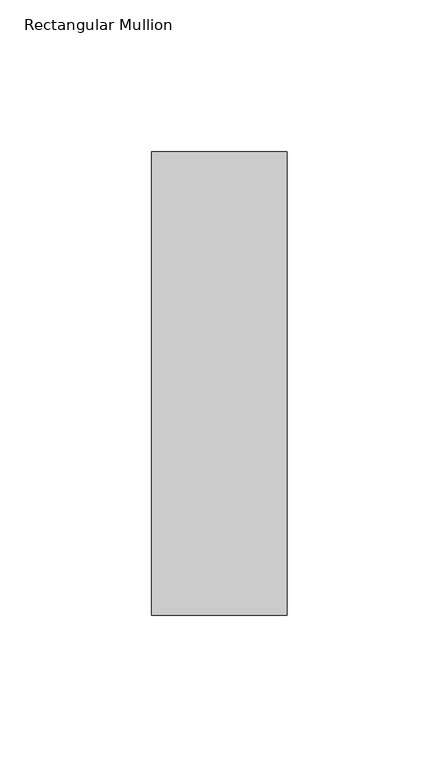
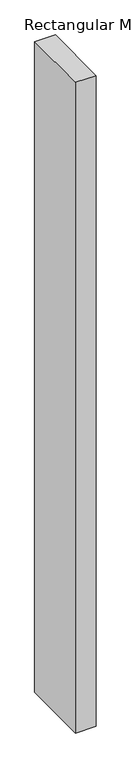
"""IFC4 building model written with IfcOpenShell, lengths in millimetres: member geometry, Rectangular Mullion."""

import ifcopenshell
import ifcopenshell.guid

model = None  # the IFC model being written
_history = None  # IfcOwnerHistory: only IFC2X3 demands one
_inside = {}  # id of a spatial element -> (the spatial element, [elements in it])
_under = {}  # id of a project, library or spatial element -> (it, [spatial elements below it])
_declared = {}  # id of a project -> (the project, [libraries it declares])
_typed = {}  # id of a type object -> (the type object, [elements of that type])
_made_of = {}  # id of a material, layer set ... -> (it, [elements and type objects made of it])


def new_model(schema):
    """Start an empty IFC model of exactly this schema.

    Asked for "IFC4X3", IfcOpenShell would pick the latest addendum, in which some entities
    have other attributes; the version numbers below select the first issue.
    IFC2X3 requires an IfcOwnerHistory on every rooted entity: one is made here for all.
    """
    global model, _history
    if schema == "IFC4X3":
        model = ifcopenshell.file(schema_version=(4, 3, 0, 0))
    else:
        model = ifcopenshell.file(schema=schema)
    _inside.clear()
    _under.clear()
    _declared.clear()
    _typed.clear()
    _made_of.clear()
    _history = None
    if model.schema == "IFC2X3":
        org = make("IfcOrganization", Name="unknown")
        user = make(
            "IfcPersonAndOrganization",
            ThePerson=make("IfcPerson", FamilyName="unknown"),
            TheOrganization=org,
        )
        app = make(
            "IfcApplication",
            ApplicationDeveloper=org,
            Version="unknown",
            ApplicationFullName="unknown",
            ApplicationIdentifier="unknown",
        )
        _history = make(
            "IfcOwnerHistory",
            OwningUser=user,
            OwningApplication=app,
            ChangeAction="ADDED",
            CreationDate=0,
        )
    return model


def make(cls, **values):
    """One entity of the class cls with the attributes given. An attribute that is None is left unset."""
    return model.create_entity(
        cls, **{name: value for name, value in values.items() if value is not None}
    )


def rooted(cls, **values):
    """An entity with a GlobalId (a new one), such as an element, a storey or a relation."""
    return make(cls, GlobalId=ifcopenshell.guid.new(), OwnerHistory=_history, **values)


def si_unit(unit_type, name, prefix=None):
    """IfcSIUnit, for example si_unit("LENGTHUNIT", "METRE", prefix="MILLI")."""
    return make("IfcSIUnit", UnitType=unit_type, Prefix=prefix, Name=name)


def assignment(units):
    """IfcUnitAssignment: the units of a project."""
    return None if units is None else make("IfcUnitAssignment", Units=units)


def point(xyz):
    """IfcCartesianPoint."""
    return None if xyz is None else make("IfcCartesianPoint", Coordinates=xyz)


def direction(xyz):
    """IfcDirection."""
    return None if xyz is None else make("IfcDirection", DirectionRatios=xyz)


def frame(location, z_axis=None, x_axis=None):
    """IfcAxis2Placement3D, a coordinate frame: its origin and axes. An axis left out is left unset."""
    return make(
        "IfcAxis2Placement3D",
        Location=point(location),
        Axis=direction(z_axis),
        RefDirection=direction(x_axis),
    )


def origin():
    """The frame at (0, 0, 0) with its axes left unset."""
    return frame((0.0, 0.0, 0.0))


def place(relative_to, where):
    """IfcLocalPlacement: puts the frame where relative to a parent placement (None: the world)."""
    return make(
        "IfcLocalPlacement", PlacementRelTo=relative_to, RelativePlacement=where
    )


def context(
    kind, dimensions, precision=None, world=None, true_north=None, identifier=None
):
    """IfcGeometricRepresentationContext, for example the 3D "Model" context."""
    return make(
        "IfcGeometricRepresentationContext",
        ContextIdentifier=identifier,
        ContextType=kind,
        CoordinateSpaceDimension=dimensions,
        Precision=precision,
        WorldCoordinateSystem=world,
        TrueNorth=true_north,
    )


def project(units=None, contexts=None):
    """IfcProject with its units and contexts."""
    return rooted(
        "IfcProject",
        Name="project",
        RepresentationContexts=contexts,
        UnitsInContext=assignment(units),
    )


def spatial(cls, under=None, at=None, **own):
    """A site, building, storey or space (cls), placed at a placement, below another one or the project."""
    s = rooted(cls, ObjectPlacement=at, **own)
    if under is not None:
        _under.setdefault(under.id(), (under, []))[1].append(s)
    return s


def polyline(points):
    """IfcPolyline through the points."""
    return make("IfcPolyline", Points=[point(p) for p in points])


def outline(outer, holes=None, kind="AREA"):
    """IfcArbitraryClosedProfileDef: a profile drawn as a closed curve; with holes, ...WithVoids."""
    if holes is None:
        return make("IfcArbitraryClosedProfileDef", ProfileType=kind, OuterCurve=outer)
    return make(
        "IfcArbitraryProfileDefWithVoids",
        ProfileType=kind,
        OuterCurve=outer,
        InnerCurves=holes,
    )


def extrude(swept, where, along, depth):
    """IfcExtrudedAreaSolid: the profile swept, set in the frame where, extruded along a direction by depth."""
    return make(
        "IfcExtrudedAreaSolid",
        SweptArea=swept,
        Position=where,
        ExtrudedDirection=direction(along),
        Depth=depth,
    )


def shape(context_of_items, identifier, shape_type, items):
    """IfcShapeRepresentation: the items that make up one representation, for example the "Body"."""
    return make(
        "IfcShapeRepresentation",
        ContextOfItems=context_of_items,
        RepresentationIdentifier=identifier,
        RepresentationType=shape_type,
        Items=items,
    )


def source(mapping_origin, context_of_items, identifier, shape_type, items):
    """IfcRepresentationMap: a shape defined once, which mapped items show again and again."""
    return make(
        "IfcRepresentationMap",
        MappingOrigin=mapping_origin,
        MappedRepresentation=shape(context_of_items, identifier, shape_type, items),
    )


def transform(
    local_origin,
    x_axis=None,
    y_axis=None,
    z_axis=None,
    scale=None,
    scale2=None,
    scale3=None,
    uniform=True,
):
    """IfcCartesianTransformationOperator3D, or its non-uniform kind. x_axis, y_axis, z_axis: its Axis1, 2, 3."""
    if uniform:
        return make(
            "IfcCartesianTransformationOperator3D",
            Axis1=direction(x_axis),
            Axis2=direction(y_axis),
            LocalOrigin=point(local_origin),
            Scale=scale,
            Axis3=direction(z_axis),
        )
    return make(
        "IfcCartesianTransformationOperator3DnonUniform",
        Axis1=direction(x_axis),
        Axis2=direction(y_axis),
        LocalOrigin=point(local_origin),
        Scale=scale,
        Axis3=direction(z_axis),
        Scale2=scale2,
        Scale3=scale3,
    )


def mapped(mapping_source, mapping_target):
    """IfcMappedItem: shows the shape of a source again, moved by a transform."""
    return make(
        "IfcMappedItem", MappingSource=mapping_source, MappingTarget=mapping_target
    )


def made_of(thing, what):
    """Note that an element or type object is made of a material, layer set ...; save() writes the relation."""
    if what is not None:
        _made_of.setdefault(what.id(), (what, []))[1].append(thing)
    return thing


def element(
    cls,
    number,
    at=None,
    inside=None,
    cuts=None,
    type_object=None,
    material=None,
    context=None,
    identifier="Body",
    shape_type=None,
    held_by="IfcProductDefinitionShape",
    body=None,
    shapes=None,
    **own,
):
    """One element of the class cls, such as IfcWall. Its Tag is "e" and its number.

    at: its placement. inside: the storey or other place that contains it. cuts: it is an
    opening in that element (IfcRelVoidsElement). A single representation is given by context,
    identifier, shape_type and body (its items); several are given by shapes. held_by: the class
    of the entity that holds the representations. save() writes the other relations.
    """
    e = rooted(cls, Tag="e%d" % number, ObjectPlacement=at, **own)
    if body is not None:
        shapes = [shape(context, identifier, shape_type, body)]
    if shapes is not None:
        e.Representation = make(held_by, Representations=shapes)
    if inside is not None:
        _inside.setdefault(inside.id(), (inside, []))[1].append(e)
    if cuts is not None:
        rooted(
            "IfcRelVoidsElement", RelatingBuildingElement=cuts, RelatedOpeningElement=e
        )
    if type_object is not None:
        _typed.setdefault(type_object.id(), (type_object, []))[1].append(e)
    return made_of(e, material)


def aggregate(whole, parts):
    """IfcRelAggregates: a whole, such as a stair, and the parts it consists of."""
    return rooted("IfcRelAggregates", RelatingObject=whole, RelatedObjects=parts)


def save(model, path):
    """Write the relations noted so far, then the file.

    IfcRelAggregates (storeys below a building ...), IfcRelContainedInSpatialStructure (elements
    in a storey), IfcRelDefinesByType, IfcRelAssociatesMaterial and IfcRelDeclares: one each for
    every whole, place, type object, material and project.
    """
    for whole, parts in _under.values():
        aggregate(whole, parts)
    for where, things in _inside.values():
        rooted(
            "IfcRelContainedInSpatialStructure",
            RelatedElements=things,
            RelatingStructure=where,
        )
    for kind, things in _typed.values():
        rooted("IfcRelDefinesByType", RelatedObjects=things, RelatingType=kind)
    for what, things in _made_of.values():
        rooted("IfcRelAssociatesMaterial", RelatedObjects=things, RelatingMaterial=what)
    for by, libraries in _declared.values():
        rooted("IfcRelDeclares", RelatingContext=by, RelatedDefinitions=libraries)
    model.write(path)


def rectangular_mullion_58e2982e(model_context):
    return source(origin(), model_context, "Body", "SweptSolid", [
        extrude(outline(polyline([(22.225, 76.1906616), (22.225, -76.2033616), (-22.225, -76.2033616), (-22.225, 76.1906616), (22.225, 76.1906616)])), frame((0.0, 0.0, -1479.55), z_axis=(0.0, 0.0, 1.0), x_axis=(1.0, 0.0, 0.0)), (0.0, 0.0, 1.0), 1479.55),
    ])


if __name__ == "__main__":
    model = new_model("IFC4")
    model_context = context("Model", 3, world=origin())
    ifc_project = project(units=[si_unit("LENGTHUNIT", "METRE", prefix="MILLI")], contexts=[model_context])
    site = spatial("IfcSite", under=ifc_project)
    building = spatial("IfcBuilding", under=site)
    placement = place(None, origin())
    rectangular_mullion_shape = rectangular_mullion_58e2982e(model_context)
    element("IfcMember", 1, ObjectType="Rectangular Mullion", at=placement, inside=building, context=model_context, shape_type="MappedRepresentation", body=[
        mapped(rectangular_mullion_shape, transform((0.0, 0.0, 0.0), x_axis=(1.0, 0.0, 0.0), y_axis=(0.0, 1.0, 0.0), z_axis=(0.0, 0.0, 1.0))),
    ])
    save(model, "model.ifc")
